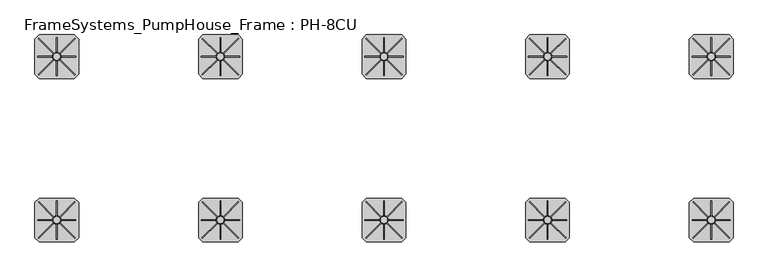
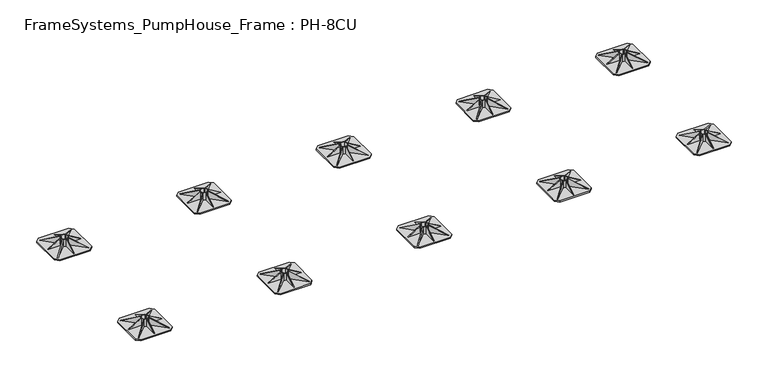
"""IFC4 building model written with IfcOpenShell, lengths in millimetres: beam geometry, FrameSystems_PumpHouse_Frame : PH-8CU."""

from ifc_helpers import new_model, si_unit, point, frame, frame_2d, origin, origin_with_axes, origin_2d, place, context, project, spatial, polyline, circle_curve, trimmed, segment, composite_curve, outline, extrude, source, transform, mapped, element, save


def framesystems_pumphouse_frame_ph_8cu_037636ea(model_context):
    return source(origin(), model_context, "Body", "SweptSolid", [
        extrude(outline(polyline([(0.0, 0.0), (169.9235121, 0.0), (145.0593839, -60.0564328), (0.0, 0.0)])), frame((4931.5218613, 1064.9426048, 10.0), z_axis=(0.7071067811865491, 0.7071067811865459, 0.0), x_axis=(-0.653327860317026, 0.653327860317029, 0.3825250499864671)), (0.0, 0.0, 1.0), 5.0),
        extrude(outline(polyline([(0.0, 0.0), (-145.0593839, -60.0564328), (-169.9235121, 0.0), (0.0, 0.0)])), frame((4668.4781387, 1064.9426048, 10.0), z_axis=(-0.7071067811865449, 0.7071067811865502, 0.0), x_axis=(-0.65332786031703, -0.653327860317025, -0.38252504998646697)), (0.0, 0.0, 1.0), 5.0),
        extrude(outline(polyline([(0.0, 0.0), (169.9235121, 0.0), (145.0593839, -60.0564328), (0.0, 0.0)])), frame((4935.0573952, 1331.5218613, 10.0), z_axis=(-0.707106781186539, 0.7071067811865561, 0.0), x_axis=(-0.6533278603170355, -0.6533278603170196, 0.3825250499864671)), (0.0, 0.0, 1.0), 5.0),
        extrude(outline(polyline([(10.0, 4658.5), (10.0, 4768.5), (75.0, 4768.5), (10.0, 4658.5)])), frame((0.0, 1197.5, 0.0), z_axis=(0.0, 1.0, 0.0), x_axis=(0.0, 0.0, 1.0)), (0.0, 0.0, 1.0), 5.0),
        extrude(outline(polyline([(1341.5, 10.0), (1231.5, 10.0), (1231.5, 75.0), (1341.5, 10.0)])), frame((4797.5, 0.0, 0.0), z_axis=(1.0, 0.0, 0.0), x_axis=(0.0, 1.0, 0.0)), (0.0, 0.0, 1.0), 5.0),
        extrude(outline(polyline([(1058.5, 10.0), (1168.5, 75.0), (1168.5, 10.0), (1058.5, 10.0)])), frame((4797.5, 0.0, 0.0), z_axis=(1.0, 0.0, 0.0), x_axis=(0.0, 1.0, 0.0)), (0.0, 0.0, 1.0), 5.0),
        extrude(outline(polyline([(0.0, 0.0), (-145.0593839, -60.0564328), (-169.9235121, 0.0), (0.0, 0.0)])), frame((4664.9426048, 1331.5218613, 10.0), z_axis=(0.7071067811865491, 0.707106781186546, 0.0), x_axis=(-0.6533278603170262, 0.653327860317029, -0.3825250499864671)), (0.0, 0.0, 1.0), 5.0),
        extrude(outline(polyline([(10.0, 4941.5), (75.0, 4831.5), (10.0, 4831.5), (10.0, 4941.5)])), frame((0.0, 1197.5, 0.0), z_axis=(0.0, 1.0, 0.0), x_axis=(0.0, 0.0, 1.0)), (0.0, 0.0, 1.0), 5.0),
        extrude(outline(composite_curve([segment(trimmed(circle_curve(frame_2d((4800.0, 1200.0)), 31.5), [point((4768.5, 1200.0))], [point((4831.5, 1200.0))], False, "CARTESIAN"), True, "CONTINUOUS"), segment(trimmed(circle_curve(frame_2d((4800.0, 1200.0)), 31.5), [point((4831.5, 1200.0))], [point((4768.5, 1200.0))], False, "CARTESIAN"), True, "CONTINUOUS")], self_intersect=False), holes=[composite_curve([segment(polyline([(4780.0, 1185.0), (4780.0, 1180.0), (4785.0, 1180.0)]), True, "CONTINUOUS"), segment(trimmed(circle_curve(frame_2d((4800.0, 1200.0)), 25.0), [point((4785.0, 1180.0))], [point((4815.0, 1180.0))], True, "CARTESIAN"), True, "CONTINUOUS"), segment(polyline([(4815.0, 1180.0), (4820.0, 1180.0), (4820.0, 1185.0)]), True, "CONTINUOUS"), segment(trimmed(circle_curve(frame_2d((4800.0, 1200.0)), 25.0), [point((4820.0, 1185.0))], [point((4820.0, 1215.0))], True, "CARTESIAN"), True, "CONTINUOUS"), segment(polyline([(4820.0, 1215.0), (4820.0, 1220.0), (4815.0, 1220.0)]), True, "CONTINUOUS"), segment(trimmed(circle_curve(frame_2d((4800.0, 1200.0)), 25.0), [point((4815.0, 1220.0))], [point((4785.0, 1220.0))], True, "CARTESIAN"), True, "CONTINUOUS"), segment(polyline([(4785.0, 1220.0), (4780.0, 1220.0), (4780.0, 1215.0)]), True, "CONTINUOUS"), segment(trimmed(circle_curve(frame_2d((4800.0, 1200.0)), 25.0), [point((4780.0, 1215.0))], [point((4780.0, 1185.0))], True, "CARTESIAN"), True, "CONTINUOUS")], self_intersect=False)]), frame((0.0, 0.0, 10.0), z_axis=(0.0, 0.0, 1.0), x_axis=(1.0, 0.0, 0.0)), (0.0, 0.0, 1.0), 65.0),
        extrude(outline(polyline([(4930.0, 1360.0), (4960.0, 1330.0), (4960.0, 1070.0), (4930.0, 1040.0), (4670.0, 1040.0), (4640.0, 1070.0), (4640.0, 1330.0), (4670.0, 1360.0), (4930.0, 1360.0)])), origin_with_axes(), (0.0, 0.0, 1.0), 10.0),
        extrude(outline(polyline([(0.0, 0.0), (169.9235121, 0.0), (145.0593839, -60.0564328), (0.0, 0.0)])), frame((4931.5218613, -135.0573952, 10.0), z_axis=(0.7071067811865491, 0.7071067811865459, 0.0), x_axis=(-0.653327860317026, 0.653327860317029, 0.3825250499864671)), (0.0, 0.0, 1.0), 5.0),
        extrude(outline(polyline([(0.0, 0.0), (-145.0593839, -60.0564328), (-169.9235121, 0.0), (0.0, 0.0)])), frame((4668.4781387, -135.0573952, 10.0), z_axis=(-0.7071067811865449, 0.7071067811865502, 0.0), x_axis=(-0.65332786031703, -0.653327860317025, -0.38252504998646697)), (0.0, 0.0, 1.0), 5.0),
        extrude(outline(polyline([(0.0, 0.0), (169.9235121, 0.0), (145.0593839, -60.0564328), (0.0, 0.0)])), frame((4935.0573952, 131.5218613, 10.0), z_axis=(-0.707106781186539, 0.7071067811865561, 0.0), x_axis=(-0.6533278603170355, -0.6533278603170196, 0.3825250499864671)), (0.0, 0.0, 1.0), 5.0),
        extrude(outline(polyline([(10.0, 4658.5), (10.0, 4768.5), (75.0, 4768.5), (10.0, 4658.5)])), frame((0.0, -2.5, 0.0), z_axis=(0.0, 1.0, 0.0), x_axis=(0.0, 0.0, 1.0)), (0.0, 0.0, 1.0), 5.0),
        extrude(outline(polyline([(141.5, 10.0), (31.5, 10.0), (31.5, 75.0), (141.5, 10.0)])), frame((4797.5, 0.0, 0.0), z_axis=(1.0, 0.0, 0.0), x_axis=(0.0, 1.0, 0.0)), (0.0, 0.0, 1.0), 5.0),
        extrude(outline(polyline([(-141.5, 10.0), (-31.5, 75.0), (-31.5, 10.0), (-141.5, 10.0)])), frame((4797.5, 0.0, 0.0), z_axis=(1.0, 0.0, 0.0), x_axis=(0.0, 1.0, 0.0)), (0.0, 0.0, 1.0), 5.0),
        extrude(outline(polyline([(0.0, 0.0), (-145.0593839, -60.0564328), (-169.9235121, 0.0), (0.0, 0.0)])), frame((4664.9426048, 131.5218613, 10.0), z_axis=(0.7071067811865491, 0.707106781186546, 0.0), x_axis=(-0.6533278603170262, 0.653327860317029, -0.3825250499864671)), (0.0, 0.0, 1.0), 5.0),
        extrude(outline(polyline([(10.0, 4941.5), (75.0, 4831.5), (10.0, 4831.5), (10.0, 4941.5)])), frame((0.0, -2.5, 0.0), z_axis=(0.0, 1.0, 0.0), x_axis=(0.0, 0.0, 1.0)), (0.0, 0.0, 1.0), 5.0),
        extrude(outline(composite_curve([segment(trimmed(circle_curve(frame_2d((4800.0, 0.0)), 31.5), [point((4768.5, 0.0))], [point((4831.5, 0.0))], False, "CARTESIAN"), True, "CONTINUOUS"), segment(trimmed(circle_curve(frame_2d((4800.0, 0.0)), 31.5), [point((4831.5, 0.0))], [point((4768.5, 0.0))], False, "CARTESIAN"), True, "CONTINUOUS")], self_intersect=False), holes=[composite_curve([segment(polyline([(4780.0, -15.0), (4780.0, -20.0), (4785.0, -20.0)]), True, "CONTINUOUS"), segment(trimmed(circle_curve(frame_2d((4800.0, 0.0)), 25.0), [point((4785.0, -20.0))], [point((4815.0, -20.0))], True, "CARTESIAN"), True, "CONTINUOUS"), segment(polyline([(4815.0, -20.0), (4820.0, -20.0), (4820.0, -15.0)]), True, "CONTINUOUS"), segment(trimmed(circle_curve(frame_2d((4800.0, 0.0)), 25.0), [point((4820.0, -15.0))], [point((4820.0, 15.0))], True, "CARTESIAN"), True, "CONTINUOUS"), segment(polyline([(4820.0, 15.0), (4820.0, 20.0), (4815.0, 20.0)]), True, "CONTINUOUS"), segment(trimmed(circle_curve(frame_2d((4800.0, 0.0)), 25.0), [point((4815.0, 20.0))], [point((4785.0, 20.0))], True, "CARTESIAN"), True, "CONTINUOUS"), segment(polyline([(4785.0, 20.0), (4780.0, 20.0), (4780.0, 15.0)]), True, "CONTINUOUS"), segment(trimmed(circle_curve(frame_2d((4800.0, 0.0)), 25.0), [point((4780.0, 15.0))], [point((4780.0, -15.0))], True, "CARTESIAN"), True, "CONTINUOUS")], self_intersect=False)]), frame((0.0, 0.0, 10.0), z_axis=(0.0, 0.0, 1.0), x_axis=(1.0, 0.0, 0.0)), (0.0, 0.0, 1.0), 65.0),
        extrude(outline(polyline([(4930.0, 160.0), (4960.0, 130.0), (4960.0, -130.0), (4930.0, -160.0), (4670.0, -160.0), (4640.0, -130.0), (4640.0, 130.0), (4670.0, 160.0), (4930.0, 160.0)])), origin_with_axes(), (0.0, 0.0, 1.0), 10.0),
        extrude(outline(polyline([(0.0, 0.0), (169.9235121, 0.0), (145.0593839, -60.0564328), (0.0, 0.0)])), frame((3731.5218613, 1064.9426048, 10.0), z_axis=(0.7071067811865491, 0.7071067811865459, 0.0), x_axis=(-0.653327860317026, 0.653327860317029, 0.3825250499864671)), (0.0, 0.0, 1.0), 5.0),
        extrude(outline(polyline([(0.0, 0.0), (-145.0593839, -60.0564328), (-169.9235121, 0.0), (0.0, 0.0)])), frame((3468.4781387, 1064.9426048, 10.0), z_axis=(-0.7071067811865449, 0.7071067811865502, 0.0), x_axis=(-0.65332786031703, -0.653327860317025, -0.38252504998646697)), (0.0, 0.0, 1.0), 5.0),
        extrude(outline(polyline([(0.0, 0.0), (169.9235121, 0.0), (145.0593839, -60.0564328), (0.0, 0.0)])), frame((3735.0573952, 1331.5218613, 10.0), z_axis=(-0.707106781186539, 0.7071067811865561, 0.0), x_axis=(-0.6533278603170355, -0.6533278603170196, 0.3825250499864671)), (0.0, 0.0, 1.0), 5.0),
        extrude(outline(polyline([(10.0, 3458.5), (10.0, 3568.5), (75.0, 3568.5), (10.0, 3458.5)])), frame((0.0, 1197.5, 0.0), z_axis=(0.0, 1.0, 0.0), x_axis=(0.0, 0.0, 1.0)), (0.0, 0.0, 1.0), 5.0),
        extrude(outline(polyline([(1341.5, 10.0), (1231.5, 10.0), (1231.5, 75.0), (1341.5, 10.0)])), frame((3597.5, 0.0, 0.0), z_axis=(1.0, 0.0, 0.0), x_axis=(0.0, 1.0, 0.0)), (0.0, 0.0, 1.0), 5.0),
        extrude(outline(polyline([(1058.5, 10.0), (1168.5, 75.0), (1168.5, 10.0), (1058.5, 10.0)])), frame((3597.5, 0.0, 0.0), z_axis=(1.0, 0.0, 0.0), x_axis=(0.0, 1.0, 0.0)), (0.0, 0.0, 1.0), 5.0),
        extrude(outline(polyline([(0.0, 0.0), (-145.0593839, -60.0564328), (-169.9235121, 0.0), (0.0, 0.0)])), frame((3464.9426048, 1331.5218613, 10.0), z_axis=(0.7071067811865491, 0.707106781186546, 0.0), x_axis=(-0.6533278603170262, 0.653327860317029, -0.3825250499864671)), (0.0, 0.0, 1.0), 5.0),
        extrude(outline(polyline([(10.0, 3741.5), (75.0, 3631.5), (10.0, 3631.5), (10.0, 3741.5)])), frame((0.0, 1197.5, 0.0), z_axis=(0.0, 1.0, 0.0), x_axis=(0.0, 0.0, 1.0)), (0.0, 0.0, 1.0), 5.0),
        extrude(outline(composite_curve([segment(trimmed(circle_curve(frame_2d((3600.0, 1200.0)), 31.5), [point((3568.5, 1200.0))], [point((3631.5, 1200.0))], False, "CARTESIAN"), True, "CONTINUOUS"), segment(trimmed(circle_curve(frame_2d((3600.0, 1200.0)), 31.5), [point((3631.5, 1200.0))], [point((3568.5, 1200.0))], False, "CARTESIAN"), True, "CONTINUOUS")], self_intersect=False), holes=[composite_curve([segment(polyline([(3580.0, 1185.0), (3580.0, 1180.0), (3585.0, 1180.0)]), True, "CONTINUOUS"), segment(trimmed(circle_curve(frame_2d((3600.0, 1200.0)), 25.0), [point((3585.0, 1180.0))], [point((3615.0, 1180.0))], True, "CARTESIAN"), True, "CONTINUOUS"), segment(polyline([(3615.0, 1180.0), (3620.0, 1180.0), (3620.0, 1185.0)]), True, "CONTINUOUS"), segment(trimmed(circle_curve(frame_2d((3600.0, 1200.0)), 25.0), [point((3620.0, 1185.0))], [point((3620.0, 1215.0))], True, "CARTESIAN"), True, "CONTINUOUS"), segment(polyline([(3620.0, 1215.0), (3620.0, 1220.0), (3615.0, 1220.0)]), True, "CONTINUOUS"), segment(trimmed(circle_curve(frame_2d((3600.0, 1200.0)), 25.0), [point((3615.0, 1220.0))], [point((3585.0, 1220.0))], True, "CARTESIAN"), True, "CONTINUOUS"), segment(polyline([(3585.0, 1220.0), (3580.0, 1220.0), (3580.0, 1215.0)]), True, "CONTINUOUS"), segment(trimmed(circle_curve(frame_2d((3600.0, 1200.0)), 25.0), [point((3580.0, 1215.0))], [point((3580.0, 1185.0))], True, "CARTESIAN"), True, "CONTINUOUS")], self_intersect=False)]), frame((0.0, 0.0, 10.0), z_axis=(0.0, 0.0, 1.0), x_axis=(1.0, 0.0, 0.0)), (0.0, 0.0, 1.0), 65.0),
        extrude(outline(polyline([(3730.0, 1360.0), (3760.0, 1330.0), (3760.0, 1070.0), (3730.0, 1040.0), (3470.0, 1040.0), (3440.0, 1070.0), (3440.0, 1330.0), (3470.0, 1360.0), (3730.0, 1360.0)])), origin_with_axes(), (0.0, 0.0, 1.0), 10.0),
        extrude(outline(polyline([(0.0, 0.0), (169.9235121, 0.0), (145.0593839, -60.0564328), (0.0, 0.0)])), frame((3731.5218613, -135.0573952, 10.0), z_axis=(0.7071067811865491, 0.7071067811865459, 0.0), x_axis=(-0.653327860317026, 0.653327860317029, 0.3825250499864671)), (0.0, 0.0, 1.0), 5.0),
        extrude(outline(polyline([(0.0, 0.0), (-145.0593839, -60.0564328), (-169.9235121, 0.0), (0.0, 0.0)])), frame((3468.4781387, -135.0573952, 10.0), z_axis=(-0.7071067811865449, 0.7071067811865502, 0.0), x_axis=(-0.65332786031703, -0.653327860317025, -0.38252504998646697)), (0.0, 0.0, 1.0), 5.0),
        extrude(outline(polyline([(0.0, 0.0), (169.9235121, 0.0), (145.0593839, -60.0564328), (0.0, 0.0)])), frame((3735.0573952, 131.5218613, 10.0), z_axis=(-0.707106781186539, 0.7071067811865561, 0.0), x_axis=(-0.6533278603170355, -0.6533278603170196, 0.3825250499864671)), (0.0, 0.0, 1.0), 5.0),
        extrude(outline(polyline([(10.0, 3458.5), (10.0, 3568.5), (75.0, 3568.5), (10.0, 3458.5)])), frame((0.0, -2.5, 0.0), z_axis=(0.0, 1.0, 0.0), x_axis=(0.0, 0.0, 1.0)), (0.0, 0.0, 1.0), 5.0),
        extrude(outline(polyline([(141.5, 10.0), (31.5, 10.0), (31.5, 75.0), (141.5, 10.0)])), frame((3597.5, 0.0, 0.0), z_axis=(1.0, 0.0, 0.0), x_axis=(0.0, 1.0, 0.0)), (0.0, 0.0, 1.0), 5.0),
        extrude(outline(polyline([(-141.5, 10.0), (-31.5, 75.0), (-31.5, 10.0), (-141.5, 10.0)])), frame((3597.5, 0.0, 0.0), z_axis=(1.0, 0.0, 0.0), x_axis=(0.0, 1.0, 0.0)), (0.0, 0.0, 1.0), 5.0),
        extrude(outline(polyline([(0.0, 0.0), (-145.0593839, -60.0564328), (-169.9235121, 0.0), (0.0, 0.0)])), frame((3464.9426048, 131.5218613, 10.0), z_axis=(0.7071067811865491, 0.707106781186546, 0.0), x_axis=(-0.6533278603170262, 0.653327860317029, -0.3825250499864671)), (0.0, 0.0, 1.0), 5.0),
        extrude(outline(polyline([(10.0, 3741.5), (75.0, 3631.5), (10.0, 3631.5), (10.0, 3741.5)])), frame((0.0, -2.5, 0.0), z_axis=(0.0, 1.0, 0.0), x_axis=(0.0, 0.0, 1.0)), (0.0, 0.0, 1.0), 5.0),
        extrude(outline(composite_curve([segment(trimmed(circle_curve(frame_2d((3600.0, 0.0)), 31.5), [point((3568.5, 0.0))], [point((3631.5, 0.0))], False, "CARTESIAN"), True, "CONTINUOUS"), segment(trimmed(circle_curve(frame_2d((3600.0, 0.0)), 31.5), [point((3631.5, 0.0))], [point((3568.5, 0.0))], False, "CARTESIAN"), True, "CONTINUOUS")], self_intersect=False), holes=[composite_curve([segment(polyline([(3580.0, -15.0), (3580.0, -20.0), (3585.0, -20.0)]), True, "CONTINUOUS"), segment(trimmed(circle_curve(frame_2d((3600.0, 0.0)), 25.0), [point((3585.0, -20.0))], [point((3615.0, -20.0))], True, "CARTESIAN"), True, "CONTINUOUS"), segment(polyline([(3615.0, -20.0), (3620.0, -20.0), (3620.0, -15.0)]), True, "CONTINUOUS"), segment(trimmed(circle_curve(frame_2d((3600.0, 0.0)), 25.0), [point((3620.0, -15.0))], [point((3620.0, 15.0))], True, "CARTESIAN"), True, "CONTINUOUS"), segment(polyline([(3620.0, 15.0), (3620.0, 20.0), (3615.0, 20.0)]), True, "CONTINUOUS"), segment(trimmed(circle_curve(frame_2d((3600.0, 0.0)), 25.0), [point((3615.0, 20.0))], [point((3585.0, 20.0))], True, "CARTESIAN"), True, "CONTINUOUS"), segment(polyline([(3585.0, 20.0), (3580.0, 20.0), (3580.0, 15.0)]), True, "CONTINUOUS"), segment(trimmed(circle_curve(frame_2d((3600.0, 0.0)), 25.0), [point((3580.0, 15.0))], [point((3580.0, -15.0))], True, "CARTESIAN"), True, "CONTINUOUS")], self_intersect=False)]), frame((0.0, 0.0, 10.0), z_axis=(0.0, 0.0, 1.0), x_axis=(1.0, 0.0, 0.0)), (0.0, 0.0, 1.0), 65.0),
        extrude(outline(polyline([(3730.0, 160.0), (3760.0, 130.0), (3760.0, -130.0), (3730.0, -160.0), (3470.0, -160.0), (3440.0, -130.0), (3440.0, 130.0), (3470.0, 160.0), (3730.0, 160.0)])), origin_with_axes(), (0.0, 0.0, 1.0), 10.0),
        extrude(outline(polyline([(0.0, 0.0), (169.9235121, 0.0), (145.0593839, -60.0564328), (0.0, 0.0)])), frame((2531.5218613, 1064.9426048, 10.0), z_axis=(0.7071067811865491, 0.7071067811865459, 0.0), x_axis=(-0.653327860317026, 0.653327860317029, 0.3825250499864671)), (0.0, 0.0, 1.0), 5.0),
        extrude(outline(polyline([(0.0, 0.0), (-145.0593839, -60.0564328), (-169.9235121, 0.0), (0.0, 0.0)])), frame((2268.4781387, 1064.9426048, 10.0), z_axis=(-0.7071067811865449, 0.7071067811865502, 0.0), x_axis=(-0.65332786031703, -0.653327860317025, -0.38252504998646697)), (0.0, 0.0, 1.0), 5.0),
        extrude(outline(polyline([(0.0, 0.0), (169.9235121, 0.0), (145.0593839, -60.0564328), (0.0, 0.0)])), frame((2535.0573952, 1331.5218613, 10.0), z_axis=(-0.707106781186539, 0.7071067811865561, 0.0), x_axis=(-0.6533278603170355, -0.6533278603170196, 0.3825250499864671)), (0.0, 0.0, 1.0), 5.0),
        extrude(outline(polyline([(10.0, 2258.5), (10.0, 2368.5), (75.0, 2368.5), (10.0, 2258.5)])), frame((0.0, 1197.5, 0.0), z_axis=(0.0, 1.0, 0.0), x_axis=(0.0, 0.0, 1.0)), (0.0, 0.0, 1.0), 5.0),
        extrude(outline(polyline([(1341.5, 10.0), (1231.5, 10.0), (1231.5, 75.0), (1341.5, 10.0)])), frame((2397.5, 0.0, 0.0), z_axis=(1.0, 0.0, 0.0), x_axis=(0.0, 1.0, 0.0)), (0.0, 0.0, 1.0), 5.0),
        extrude(outline(polyline([(1058.5, 10.0), (1168.5, 75.0), (1168.5, 10.0), (1058.5, 10.0)])), frame((2397.5, 0.0, 0.0), z_axis=(1.0, 0.0, 0.0), x_axis=(0.0, 1.0, 0.0)), (0.0, 0.0, 1.0), 5.0),
        extrude(outline(polyline([(0.0, 0.0), (-145.0593839, -60.0564328), (-169.9235121, 0.0), (0.0, 0.0)])), frame((2264.9426048, 1331.5218613, 10.0), z_axis=(0.7071067811865491, 0.707106781186546, 0.0), x_axis=(-0.6533278603170262, 0.653327860317029, -0.3825250499864671)), (0.0, 0.0, 1.0), 5.0),
        extrude(outline(polyline([(10.0, 2541.5), (75.0, 2431.5), (10.0, 2431.5), (10.0, 2541.5)])), frame((0.0, 1197.5, 0.0), z_axis=(0.0, 1.0, 0.0), x_axis=(0.0, 0.0, 1.0)), (0.0, 0.0, 1.0), 5.0),
        extrude(outline(composite_curve([segment(trimmed(circle_curve(frame_2d((2400.0, 1200.0)), 31.5), [point((2368.5, 1200.0))], [point((2431.5, 1200.0))], False, "CARTESIAN"), True, "CONTINUOUS"), segment(trimmed(circle_curve(frame_2d((2400.0, 1200.0)), 31.5), [point((2431.5, 1200.0))], [point((2368.5, 1200.0))], False, "CARTESIAN"), True, "CONTINUOUS")], self_intersect=False), holes=[composite_curve([segment(polyline([(2380.0, 1185.0), (2380.0, 1180.0), (2385.0, 1180.0)]), True, "CONTINUOUS"), segment(trimmed(circle_curve(frame_2d((2400.0, 1200.0)), 25.0), [point((2385.0, 1180.0))], [point((2415.0, 1180.0))], True, "CARTESIAN"), True, "CONTINUOUS"), segment(polyline([(2415.0, 1180.0), (2420.0, 1180.0), (2420.0, 1185.0)]), True, "CONTINUOUS"), segment(trimmed(circle_curve(frame_2d((2400.0, 1200.0)), 25.0), [point((2420.0, 1185.0))], [point((2420.0, 1215.0))], True, "CARTESIAN"), True, "CONTINUOUS"), segment(polyline([(2420.0, 1215.0), (2420.0, 1220.0), (2415.0, 1220.0)]), True, "CONTINUOUS"), segment(trimmed(circle_curve(frame_2d((2400.0, 1200.0)), 25.0), [point((2415.0, 1220.0))], [point((2385.0, 1220.0))], True, "CARTESIAN"), True, "CONTINUOUS"), segment(polyline([(2385.0, 1220.0), (2380.0, 1220.0), (2380.0, 1215.0)]), True, "CONTINUOUS"), segment(trimmed(circle_curve(frame_2d((2400.0, 1200.0)), 25.0), [point((2380.0, 1215.0))], [point((2380.0, 1185.0))], True, "CARTESIAN"), True, "CONTINUOUS")], self_intersect=False)]), frame((0.0, 0.0, 10.0), z_axis=(0.0, 0.0, 1.0), x_axis=(1.0, 0.0, 0.0)), (0.0, 0.0, 1.0), 65.0),
        extrude(outline(polyline([(2530.0, 1360.0), (2560.0, 1330.0), (2560.0, 1070.0), (2530.0, 1040.0), (2270.0, 1040.0), (2240.0, 1070.0), (2240.0, 1330.0), (2270.0, 1360.0), (2530.0, 1360.0)])), origin_with_axes(), (0.0, 0.0, 1.0), 10.0),
        extrude(outline(polyline([(0.0, 0.0), (169.9235121, 0.0), (145.0593839, -60.0564328), (0.0, 0.0)])), frame((2531.5218613, -135.0573952, 10.0), z_axis=(0.7071067811865491, 0.7071067811865459, 0.0), x_axis=(-0.653327860317026, 0.653327860317029, 0.3825250499864671)), (0.0, 0.0, 1.0), 5.0),
        extrude(outline(polyline([(0.0, 0.0), (-145.0593839, -60.0564328), (-169.9235121, 0.0), (0.0, 0.0)])), frame((2268.4781387, -135.0573952, 10.0), z_axis=(-0.7071067811865449, 0.7071067811865502, 0.0), x_axis=(-0.65332786031703, -0.653327860317025, -0.38252504998646697)), (0.0, 0.0, 1.0), 5.0),
        extrude(outline(polyline([(0.0, 0.0), (169.9235121, 0.0), (145.0593839, -60.0564328), (0.0, 0.0)])), frame((2535.0573952, 131.5218613, 10.0), z_axis=(-0.707106781186539, 0.7071067811865561, 0.0), x_axis=(-0.6533278603170355, -0.6533278603170196, 0.3825250499864671)), (0.0, 0.0, 1.0), 5.0),
        extrude(outline(polyline([(10.0, 2258.5), (10.0, 2368.5), (75.0, 2368.5), (10.0, 2258.5)])), frame((0.0, -2.5, 0.0), z_axis=(0.0, 1.0, 0.0), x_axis=(0.0, 0.0, 1.0)), (0.0, 0.0, 1.0), 5.0),
        extrude(outline(polyline([(141.5, 10.0), (31.5, 10.0), (31.5, 75.0), (141.5, 10.0)])), frame((2397.5, 0.0, 0.0), z_axis=(1.0, 0.0, 0.0), x_axis=(0.0, 1.0, 0.0)), (0.0, 0.0, 1.0), 5.0),
        extrude(outline(polyline([(-141.5, 10.0), (-31.5, 75.0), (-31.5, 10.0), (-141.5, 10.0)])), frame((2397.5, 0.0, 0.0), z_axis=(1.0, 0.0, 0.0), x_axis=(0.0, 1.0, 0.0)), (0.0, 0.0, 1.0), 5.0),
        extrude(outline(polyline([(0.0, 0.0), (-145.0593839, -60.0564328), (-169.9235121, 0.0), (0.0, 0.0)])), frame((2264.9426048, 131.5218613, 10.0), z_axis=(0.7071067811865491, 0.707106781186546, 0.0), x_axis=(-0.6533278603170262, 0.653327860317029, -0.3825250499864671)), (0.0, 0.0, 1.0), 5.0),
        extrude(outline(polyline([(10.0, 2541.5), (75.0, 2431.5), (10.0, 2431.5), (10.0, 2541.5)])), frame((0.0, -2.5, 0.0), z_axis=(0.0, 1.0, 0.0), x_axis=(0.0, 0.0, 1.0)), (0.0, 0.0, 1.0), 5.0),
        extrude(outline(composite_curve([segment(trimmed(circle_curve(frame_2d((2400.0, 0.0)), 31.5), [point((2368.5, 0.0))], [point((2431.5, 0.0))], False, "CARTESIAN"), True, "CONTINUOUS"), segment(trimmed(circle_curve(frame_2d((2400.0, 0.0)), 31.5), [point((2431.5, 0.0))], [point((2368.5, 0.0))], False, "CARTESIAN"), True, "CONTINUOUS")], self_intersect=False), holes=[composite_curve([segment(polyline([(2380.0, -15.0), (2380.0, -20.0), (2385.0, -20.0)]), True, "CONTINUOUS"), segment(trimmed(circle_curve(frame_2d((2400.0, 0.0)), 25.0), [point((2385.0, -20.0))], [point((2415.0, -20.0))], True, "CARTESIAN"), True, "CONTINUOUS"), segment(polyline([(2415.0, -20.0), (2420.0, -20.0), (2420.0, -15.0)]), True, "CONTINUOUS"), segment(trimmed(circle_curve(frame_2d((2400.0, 0.0)), 25.0), [point((2420.0, -15.0))], [point((2420.0, 15.0))], True, "CARTESIAN"), True, "CONTINUOUS"), segment(polyline([(2420.0, 15.0), (2420.0, 20.0), (2415.0, 20.0)]), True, "CONTINUOUS"), segment(trimmed(circle_curve(frame_2d((2400.0, 0.0)), 25.0), [point((2415.0, 20.0))], [point((2385.0, 20.0))], True, "CARTESIAN"), True, "CONTINUOUS"), segment(polyline([(2385.0, 20.0), (2380.0, 20.0), (2380.0, 15.0)]), True, "CONTINUOUS"), segment(trimmed(circle_curve(frame_2d((2400.0, 0.0)), 25.0), [point((2380.0, 15.0))], [point((2380.0, -15.0))], True, "CARTESIAN"), True, "CONTINUOUS")], self_intersect=False)]), frame((0.0, 0.0, 10.0), z_axis=(0.0, 0.0, 1.0), x_axis=(1.0, 0.0, 0.0)), (0.0, 0.0, 1.0), 65.0),
        extrude(outline(polyline([(2530.0, 160.0), (2560.0, 130.0), (2560.0, -130.0), (2530.0, -160.0), (2270.0, -160.0), (2240.0, -130.0), (2240.0, 130.0), (2270.0, 160.0), (2530.0, 160.0)])), origin_with_axes(), (0.0, 0.0, 1.0), 10.0),
        extrude(outline(polyline([(0.0, 0.0), (169.9235121, 0.0), (145.0593839, -60.0564328), (0.0, 0.0)])), frame((1331.5218613, 1064.9426048, 10.0), z_axis=(0.7071067811865491, 0.7071067811865459, 0.0), x_axis=(-0.653327860317026, 0.653327860317029, 0.3825250499864671)), (0.0, 0.0, 1.0), 5.0),
        extrude(outline(polyline([(0.0, 0.0), (-145.0593839, -60.0564328), (-169.9235121, 0.0), (0.0, 0.0)])), frame((1068.4781387, 1064.9426048, 10.0), z_axis=(-0.7071067811865449, 0.7071067811865502, 0.0), x_axis=(-0.65332786031703, -0.653327860317025, -0.38252504998646697)), (0.0, 0.0, 1.0), 5.0),
        extrude(outline(polyline([(0.0, 0.0), (169.9235121, 0.0), (145.0593839, -60.0564328), (0.0, 0.0)])), frame((1335.0573952, 1331.5218613, 10.0), z_axis=(-0.707106781186539, 0.7071067811865561, 0.0), x_axis=(-0.6533278603170355, -0.6533278603170196, 0.3825250499864671)), (0.0, 0.0, 1.0), 5.0),
        extrude(outline(polyline([(10.0, 1058.5), (10.0, 1168.5), (75.0, 1168.5), (10.0, 1058.5)])), frame((0.0, 1197.5, 0.0), z_axis=(0.0, 1.0, 0.0), x_axis=(0.0, 0.0, 1.0)), (0.0, 0.0, 1.0), 5.0),
        extrude(outline(polyline([(1341.5, 10.0), (1231.5, 10.0), (1231.5, 75.0), (1341.5, 10.0)])), frame((1197.5, 0.0, 0.0), z_axis=(1.0, 0.0, 0.0), x_axis=(0.0, 1.0, 0.0)), (0.0, 0.0, 1.0), 5.0),
        extrude(outline(polyline([(1058.5, 10.0), (1168.5, 75.0), (1168.5, 10.0), (1058.5, 10.0)])), frame((1197.5, 0.0, 0.0), z_axis=(1.0, 0.0, 0.0), x_axis=(0.0, 1.0, 0.0)), (0.0, 0.0, 1.0), 5.0),
        extrude(outline(polyline([(0.0, 0.0), (-145.0593839, -60.0564328), (-169.9235121, 0.0), (0.0, 0.0)])), frame((1064.9426048, 1331.5218613, 10.0), z_axis=(0.7071067811865491, 0.707106781186546, 0.0), x_axis=(-0.6533278603170262, 0.653327860317029, -0.3825250499864671)), (0.0, 0.0, 1.0), 5.0),
        extrude(outline(polyline([(10.0, 1341.5), (75.0, 1231.5), (10.0, 1231.5), (10.0, 1341.5)])), frame((0.0, 1197.5, 0.0), z_axis=(0.0, 1.0, 0.0), x_axis=(0.0, 0.0, 1.0)), (0.0, 0.0, 1.0), 5.0),
        extrude(outline(composite_curve([segment(trimmed(circle_curve(frame_2d((1200.0, 1200.0)), 31.5), [point((1168.5, 1200.0))], [point((1231.5, 1200.0))], False, "CARTESIAN"), True, "CONTINUOUS"), segment(trimmed(circle_curve(frame_2d((1200.0, 1200.0)), 31.5), [point((1231.5, 1200.0))], [point((1168.5, 1200.0))], False, "CARTESIAN"), True, "CONTINUOUS")], self_intersect=False), holes=[composite_curve([segment(polyline([(1180.0, 1185.0), (1180.0, 1180.0), (1185.0, 1180.0)]), True, "CONTINUOUS"), segment(trimmed(circle_curve(frame_2d((1200.0, 1200.0)), 25.0), [point((1185.0, 1180.0))], [point((1215.0, 1180.0))], True, "CARTESIAN"), True, "CONTINUOUS"), segment(polyline([(1215.0, 1180.0), (1220.0, 1180.0), (1220.0, 1185.0)]), True, "CONTINUOUS"), segment(trimmed(circle_curve(frame_2d((1200.0, 1200.0)), 25.0), [point((1220.0, 1185.0))], [point((1220.0, 1215.0))], True, "CARTESIAN"), True, "CONTINUOUS"), segment(polyline([(1220.0, 1215.0), (1220.0, 1220.0), (1215.0, 1220.0)]), True, "CONTINUOUS"), segment(trimmed(circle_curve(frame_2d((1200.0, 1200.0)), 25.0), [point((1215.0, 1220.0))], [point((1185.0, 1220.0))], True, "CARTESIAN"), True, "CONTINUOUS"), segment(polyline([(1185.0, 1220.0), (1180.0, 1220.0), (1180.0, 1215.0)]), True, "CONTINUOUS"), segment(trimmed(circle_curve(frame_2d((1200.0, 1200.0)), 25.0), [point((1180.0, 1215.0))], [point((1180.0, 1185.0))], True, "CARTESIAN"), True, "CONTINUOUS")], self_intersect=False)]), frame((0.0, 0.0, 10.0), z_axis=(0.0, 0.0, 1.0), x_axis=(1.0, 0.0, 0.0)), (0.0, 0.0, 1.0), 65.0),
        extrude(outline(polyline([(1330.0, 1360.0), (1360.0, 1330.0), (1360.0, 1070.0), (1330.0, 1040.0), (1070.0, 1040.0), (1040.0, 1070.0), (1040.0, 1330.0), (1070.0, 1360.0), (1330.0, 1360.0)])), origin_with_axes(), (0.0, 0.0, 1.0), 10.0),
        extrude(outline(polyline([(0.0, 0.0), (169.9235121, 0.0), (145.0593839, -60.0564328), (0.0, 0.0)])), frame((1331.5218613, -135.0573952, 10.0), z_axis=(0.7071067811865491, 0.7071067811865459, 0.0), x_axis=(-0.653327860317026, 0.653327860317029, 0.3825250499864671)), (0.0, 0.0, 1.0), 5.0),
        extrude(outline(polyline([(0.0, 0.0), (-145.0593839, -60.0564328), (-169.9235121, 0.0), (0.0, 0.0)])), frame((1068.4781387, -135.0573952, 10.0), z_axis=(-0.7071067811865449, 0.7071067811865502, 0.0), x_axis=(-0.65332786031703, -0.653327860317025, -0.38252504998646697)), (0.0, 0.0, 1.0), 5.0),
        extrude(outline(polyline([(0.0, 0.0), (169.9235121, 0.0), (145.0593839, -60.0564328), (0.0, 0.0)])), frame((1335.0573952, 131.5218613, 10.0), z_axis=(-0.707106781186539, 0.7071067811865561, 0.0), x_axis=(-0.6533278603170355, -0.6533278603170196, 0.3825250499864671)), (0.0, 0.0, 1.0), 5.0),
        extrude(outline(polyline([(10.0, 1058.5), (10.0, 1168.5), (75.0, 1168.5), (10.0, 1058.5)])), frame((0.0, -2.5, 0.0), z_axis=(0.0, 1.0, 0.0), x_axis=(0.0, 0.0, 1.0)), (0.0, 0.0, 1.0), 5.0),
        extrude(outline(polyline([(141.5, 10.0), (31.5, 10.0), (31.5, 75.0), (141.5, 10.0)])), frame((1197.5, 0.0, 0.0), z_axis=(1.0, 0.0, 0.0), x_axis=(0.0, 1.0, 0.0)), (0.0, 0.0, 1.0), 5.0),
        extrude(outline(polyline([(-141.5, 10.0), (-31.5, 75.0), (-31.5, 10.0), (-141.5, 10.0)])), frame((1197.5, 0.0, 0.0), z_axis=(1.0, 0.0, 0.0), x_axis=(0.0, 1.0, 0.0)), (0.0, 0.0, 1.0), 5.0),
        extrude(outline(polyline([(0.0, 0.0), (-145.0593839, -60.0564328), (-169.9235121, 0.0), (0.0, 0.0)])), frame((1064.9426048, 131.5218613, 10.0), z_axis=(0.7071067811865491, 0.707106781186546, 0.0), x_axis=(-0.6533278603170262, 0.653327860317029, -0.3825250499864671)), (0.0, 0.0, 1.0), 5.0),
        extrude(outline(polyline([(10.0, 1341.5), (75.0, 1231.5), (10.0, 1231.5), (10.0, 1341.5)])), frame((0.0, -2.5, 0.0), z_axis=(0.0, 1.0, 0.0), x_axis=(0.0, 0.0, 1.0)), (0.0, 0.0, 1.0), 5.0),
        extrude(outline(composite_curve([segment(trimmed(circle_curve(frame_2d((1200.0, 0.0)), 31.5), [point((1168.5, 0.0))], [point((1231.5, 0.0))], False, "CARTESIAN"), True, "CONTINUOUS"), segment(trimmed(circle_curve(frame_2d((1200.0, 0.0)), 31.5), [point((1231.5, 0.0))], [point((1168.5, 0.0))], False, "CARTESIAN"), True, "CONTINUOUS")], self_intersect=False), holes=[composite_curve([segment(polyline([(1180.0, -15.0), (1180.0, -20.0), (1185.0, -20.0)]), True, "CONTINUOUS"), segment(trimmed(circle_curve(frame_2d((1200.0, 0.0)), 25.0), [point((1185.0, -20.0))], [point((1215.0, -20.0))], True, "CARTESIAN"), True, "CONTINUOUS"), segment(polyline([(1215.0, -20.0), (1220.0, -20.0), (1220.0, -15.0)]), True, "CONTINUOUS"), segment(trimmed(circle_curve(frame_2d((1200.0, 0.0)), 25.0), [point((1220.0, -15.0))], [point((1220.0, 15.0))], True, "CARTESIAN"), True, "CONTINUOUS"), segment(polyline([(1220.0, 15.0), (1220.0, 20.0), (1215.0, 20.0)]), True, "CONTINUOUS"), segment(trimmed(circle_curve(frame_2d((1200.0, 0.0)), 25.0), [point((1215.0, 20.0))], [point((1185.0, 20.0))], True, "CARTESIAN"), True, "CONTINUOUS"), segment(polyline([(1185.0, 20.0), (1180.0, 20.0), (1180.0, 15.0)]), True, "CONTINUOUS"), segment(trimmed(circle_curve(frame_2d((1200.0, 0.0)), 25.0), [point((1180.0, 15.0))], [point((1180.0, -15.0))], True, "CARTESIAN"), True, "CONTINUOUS")], self_intersect=False)]), frame((0.0, 0.0, 10.0), z_axis=(0.0, 0.0, 1.0), x_axis=(1.0, 0.0, 0.0)), (0.0, 0.0, 1.0), 65.0),
        extrude(outline(polyline([(1330.0, 160.0), (1360.0, 130.0), (1360.0, -130.0), (1330.0, -160.0), (1070.0, -160.0), (1040.0, -130.0), (1040.0, 130.0), (1070.0, 160.0), (1330.0, 160.0)])), origin_with_axes(), (0.0, 0.0, 1.0), 10.0),
        extrude(outline(polyline([(0.0, 0.0), (169.9235121, 0.0), (145.0593839, -60.0564328), (0.0, 0.0)])), frame((131.5218613, 1064.9426048, 10.0), z_axis=(0.7071067811865491, 0.7071067811865459, 0.0), x_axis=(-0.653327860317026, 0.653327860317029, 0.3825250499864671)), (0.0, 0.0, 1.0), 5.0),
        extrude(outline(polyline([(0.0, 0.0), (-145.0593839, -60.0564328), (-169.9235121, 0.0), (0.0, 0.0)])), frame((-131.5218613, 1064.9426048, 10.0), z_axis=(-0.7071067811865449, 0.7071067811865502, 0.0), x_axis=(-0.65332786031703, -0.653327860317025, -0.38252504998646697)), (0.0, 0.0, 1.0), 5.0),
        extrude(outline(polyline([(0.0, 0.0), (169.9235121, 0.0), (145.0593839, -60.0564328), (0.0, 0.0)])), frame((135.0573952, 1331.5218613, 10.0), z_axis=(-0.707106781186539, 0.7071067811865561, 0.0), x_axis=(-0.6533278603170355, -0.6533278603170196, 0.3825250499864671)), (0.0, 0.0, 1.0), 5.0),
        extrude(outline(polyline([(10.0, -141.5), (10.0, -31.5), (75.0, -31.5), (10.0, -141.5)])), frame((0.0, 1197.5, 0.0), z_axis=(0.0, 1.0, 0.0), x_axis=(0.0, 0.0, 1.0)), (0.0, 0.0, 1.0), 5.0),
        extrude(outline(polyline([(1341.5, 10.0), (1231.5, 10.0), (1231.5, 75.0), (1341.5, 10.0)])), frame((-2.5, 0.0, 0.0), z_axis=(1.0, 0.0, 0.0), x_axis=(0.0, 1.0, 0.0)), (0.0, 0.0, 1.0), 5.0),
        extrude(outline(polyline([(1058.5, 10.0), (1168.5, 75.0), (1168.5, 10.0), (1058.5, 10.0)])), frame((-2.5, 0.0, 0.0), z_axis=(1.0, 0.0, 0.0), x_axis=(0.0, 1.0, 0.0)), (0.0, 0.0, 1.0), 5.0),
        extrude(outline(polyline([(0.0, 0.0), (-145.0593839, -60.0564328), (-169.9235121, 0.0), (0.0, 0.0)])), frame((-135.0573952, 1331.5218613, 10.0), z_axis=(0.7071067811865491, 0.707106781186546, 0.0), x_axis=(-0.6533278603170262, 0.653327860317029, -0.3825250499864671)), (0.0, 0.0, 1.0), 5.0),
        extrude(outline(polyline([(10.0, 141.5), (75.0, 31.5), (10.0, 31.5), (10.0, 141.5)])), frame((0.0, 1197.5, 0.0), z_axis=(0.0, 1.0, 0.0), x_axis=(0.0, 0.0, 1.0)), (0.0, 0.0, 1.0), 5.0),
        extrude(outline(composite_curve([segment(trimmed(circle_curve(frame_2d((0.0, 1200.0)), 31.5), [point((-31.5, 1200.0))], [point((31.5, 1200.0))], False, "CARTESIAN"), True, "CONTINUOUS"), segment(trimmed(circle_curve(frame_2d((0.0, 1200.0)), 31.5), [point((31.5, 1200.0))], [point((-31.5, 1200.0))], False, "CARTESIAN"), True, "CONTINUOUS")], self_intersect=False), holes=[composite_curve([segment(polyline([(-20.0, 1185.0), (-20.0, 1180.0), (-15.0, 1180.0)]), True, "CONTINUOUS"), segment(trimmed(circle_curve(frame_2d((0.0, 1200.0)), 25.0), [point((-15.0, 1180.0))], [point((15.0, 1180.0))], True, "CARTESIAN"), True, "CONTINUOUS"), segment(polyline([(15.0, 1180.0), (20.0, 1180.0), (20.0, 1185.0)]), True, "CONTINUOUS"), segment(trimmed(circle_curve(frame_2d((0.0, 1200.0)), 25.0), [point((20.0, 1185.0))], [point((20.0, 1215.0))], True, "CARTESIAN"), True, "CONTINUOUS"), segment(polyline([(20.0, 1215.0), (20.0, 1220.0), (15.0, 1220.0)]), True, "CONTINUOUS"), segment(trimmed(circle_curve(frame_2d((0.0, 1200.0)), 25.0), [point((15.0, 1220.0))], [point((-15.0, 1220.0))], True, "CARTESIAN"), True, "CONTINUOUS"), segment(polyline([(-15.0, 1220.0), (-20.0, 1220.0), (-20.0, 1215.0)]), True, "CONTINUOUS"), segment(trimmed(circle_curve(frame_2d((0.0, 1200.0)), 25.0), [point((-20.0, 1215.0))], [point((-20.0, 1185.0))], True, "CARTESIAN"), True, "CONTINUOUS")], self_intersect=False)]), frame((0.0, 0.0, 10.0), z_axis=(0.0, 0.0, 1.0), x_axis=(1.0, 0.0, 0.0)), (0.0, 0.0, 1.0), 65.0),
        extrude(outline(polyline([(130.0, 1360.0), (160.0, 1330.0), (160.0, 1070.0), (130.0, 1040.0), (-130.0, 1040.0), (-160.0, 1070.0), (-160.0, 1330.0), (-130.0, 1360.0), (130.0, 1360.0)])), origin_with_axes(), (0.0, 0.0, 1.0), 10.0),
        extrude(outline(polyline([(0.0, 0.0), (169.9235121, 0.0), (145.0593839, -60.0564328), (0.0, 0.0)])), frame((131.5218613, -135.0573952, 10.0), z_axis=(0.7071067811865491, 0.7071067811865459, 0.0), x_axis=(-0.653327860317026, 0.653327860317029, 0.3825250499864671)), (0.0, 0.0, 1.0), 5.0),
        extrude(outline(polyline([(0.0, 0.0), (-145.0593839, -60.0564328), (-169.9235121, 0.0), (0.0, 0.0)])), frame((-131.5218613, -135.0573952, 10.0), z_axis=(-0.7071067811865449, 0.7071067811865502, 0.0), x_axis=(-0.65332786031703, -0.653327860317025, -0.38252504998646697)), (0.0, 0.0, 1.0), 5.0),
        extrude(outline(polyline([(0.0, 0.0), (169.9235121, 0.0), (145.0593839, -60.0564328), (0.0, 0.0)])), frame((135.0573952, 131.5218613, 10.0), z_axis=(-0.707106781186539, 0.7071067811865561, 0.0), x_axis=(-0.6533278603170355, -0.6533278603170196, 0.3825250499864671)), (0.0, 0.0, 1.0), 5.0),
        extrude(outline(polyline([(10.0, -141.5), (10.0, -31.5), (75.0, -31.5), (10.0, -141.5)])), frame((0.0, -2.5, 0.0), z_axis=(0.0, 1.0, 0.0), x_axis=(0.0, 0.0, 1.0)), (0.0, 0.0, 1.0), 5.0),
        extrude(outline(polyline([(141.5, 10.0), (31.5, 10.0), (31.5, 75.0), (141.5, 10.0)])), frame((-2.5, 0.0, 0.0), z_axis=(1.0, 0.0, 0.0), x_axis=(0.0, 1.0, 0.0)), (0.0, 0.0, 1.0), 5.0),
        extrude(outline(polyline([(-141.5, 10.0), (-31.5, 75.0), (-31.5, 10.0), (-141.5, 10.0)])), frame((-2.5, 0.0, 0.0), z_axis=(1.0, 0.0, 0.0), x_axis=(0.0, 1.0, 0.0)), (0.0, 0.0, 1.0), 5.0),
        extrude(outline(polyline([(0.0, 0.0), (-145.0593839, -60.0564328), (-169.9235121, 0.0), (0.0, 0.0)])), frame((-135.0573952, 131.5218613, 10.0), z_axis=(0.7071067811865491, 0.707106781186546, 0.0), x_axis=(-0.6533278603170262, 0.653327860317029, -0.3825250499864671)), (0.0, 0.0, 1.0), 5.0),
        extrude(outline(polyline([(10.0, 141.5), (75.0, 31.5), (10.0, 31.5), (10.0, 141.5)])), frame((0.0, -2.5, 0.0), z_axis=(0.0, 1.0, 0.0), x_axis=(0.0, 0.0, 1.0)), (0.0, 0.0, 1.0), 5.0),
        extrude(outline(composite_curve([segment(trimmed(circle_curve(origin_2d(), 31.5), [point((-31.5, 0.0))], [point((31.5, 0.0))], False, "CARTESIAN"), True, "CONTINUOUS"), segment(trimmed(circle_curve(origin_2d(), 31.5), [point((31.5, 0.0))], [point((-31.5, 0.0))], False, "CARTESIAN"), True, "CONTINUOUS")], self_intersect=False), holes=[composite_curve([segment(polyline([(-20.0, -15.0), (-20.0, -20.0), (-15.0, -20.0)]), True, "CONTINUOUS"), segment(trimmed(circle_curve(origin_2d(), 25.0), [point((-15.0, -20.0))], [point((15.0, -20.0))], True, "CARTESIAN"), True, "CONTINUOUS"), segment(polyline([(15.0, -20.0), (20.0, -20.0), (20.0, -15.0)]), True, "CONTINUOUS"), segment(trimmed(circle_curve(origin_2d(), 25.0), [point((20.0, -15.0))], [point((20.0, 15.0))], True, "CARTESIAN"), True, "CONTINUOUS"), segment(polyline([(20.0, 15.0), (20.0, 20.0), (15.0, 20.0)]), True, "CONTINUOUS"), segment(trimmed(circle_curve(origin_2d(), 25.0), [point((15.0, 20.0))], [point((-15.0, 20.0))], True, "CARTESIAN"), True, "CONTINUOUS"), segment(polyline([(-15.0, 20.0), (-20.0, 20.0), (-20.0, 15.0)]), True, "CONTINUOUS"), segment(trimmed(circle_curve(origin_2d(), 25.0), [point((-20.0, 15.0))], [point((-20.0, -15.0))], True, "CARTESIAN"), True, "CONTINUOUS")], self_intersect=False)]), frame((0.0, 0.0, 10.0), z_axis=(0.0, 0.0, 1.0), x_axis=(1.0, 0.0, 0.0)), (0.0, 0.0, 1.0), 65.0),
        extrude(outline(polyline([(130.0, 160.0), (160.0, 130.0), (160.0, -130.0), (130.0, -160.0), (-130.0, -160.0), (-160.0, -130.0), (-160.0, 130.0), (-130.0, 160.0), (130.0, 160.0)])), origin_with_axes(), (0.0, 0.0, 1.0), 10.0),
    ])


if __name__ == "__main__":
    model = new_model("IFC4")
    model_context = context("Model", 3, world=origin())
    ifc_project = project(units=[si_unit("LENGTHUNIT", "METRE", prefix="MILLI")], contexts=[model_context])
    site = spatial("IfcSite", under=ifc_project)
    building = spatial("IfcBuilding", under=site)
    placement = place(None, origin())
    framesystems_pumphouse_frame_ph_8cu_shape = framesystems_pumphouse_frame_ph_8cu_037636ea(model_context)
    element("IfcBeam", 1, ObjectType="FrameSystems_PumpHouse_Frame : PH-8CU", at=placement, inside=building, context=model_context, shape_type="MappedRepresentation", body=[
        mapped(framesystems_pumphouse_frame_ph_8cu_shape, transform((0.0, 0.0, 0.0), x_axis=(1.0, 0.0, 0.0), y_axis=(0.0, 1.0, 0.0), z_axis=(0.0, 0.0, 1.0))),
    ])
    save(model, "model.ifc")
